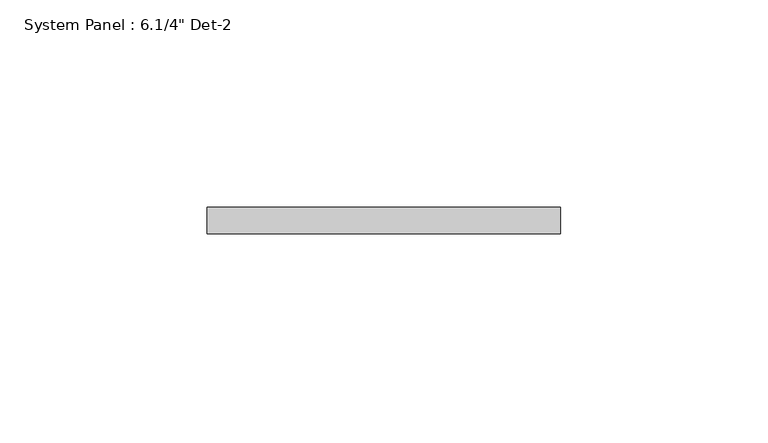
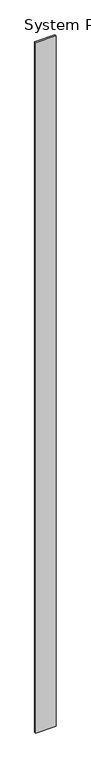
"""IFC4 building model written with IfcOpenShell, lengths in millimetres: plate geometry."""

from ifc_helpers import new_model, si_unit, origin, origin_with_axes, place, context, project, spatial, polyline, outline, extrude, source, transform, mapped, element, save


def plate_8fd0f4e3(model_context):
    return source(origin(), model_context, "Body", "SweptSolid", [
        extrude(outline(polyline([(42.6657043, 0.0), (-42.6657043, 0.0), (-42.6657043, 6.35), (42.6657043, 6.35), (42.6657043, 0.0)])), origin_with_axes(), (0.0, 0.0, 1.0), 3048.0),
    ])


if __name__ == "__main__":
    model = new_model("IFC4")
    model_context = context("Model", 3, world=origin())
    ifc_project = project(units=[si_unit("LENGTHUNIT", "METRE", prefix="MILLI")], contexts=[model_context])
    site = spatial("IfcSite", under=ifc_project)
    building = spatial("IfcBuilding", under=site)
    placement = place(None, origin())
    plate_shape = plate_8fd0f4e3(model_context)
    element("IfcPlate", 1, ObjectType="System Panel : 6.1/4\" Det-2", at=placement, inside=building, context=model_context, shape_type="MappedRepresentation", body=[
        mapped(plate_shape, transform((0.0, 0.0, 0.0), x_axis=(1.0, 0.0, 0.0), y_axis=(0.0, 1.0, 0.0), z_axis=(0.0, 0.0, 1.0))),
    ])
    save(model, "model.ifc")
